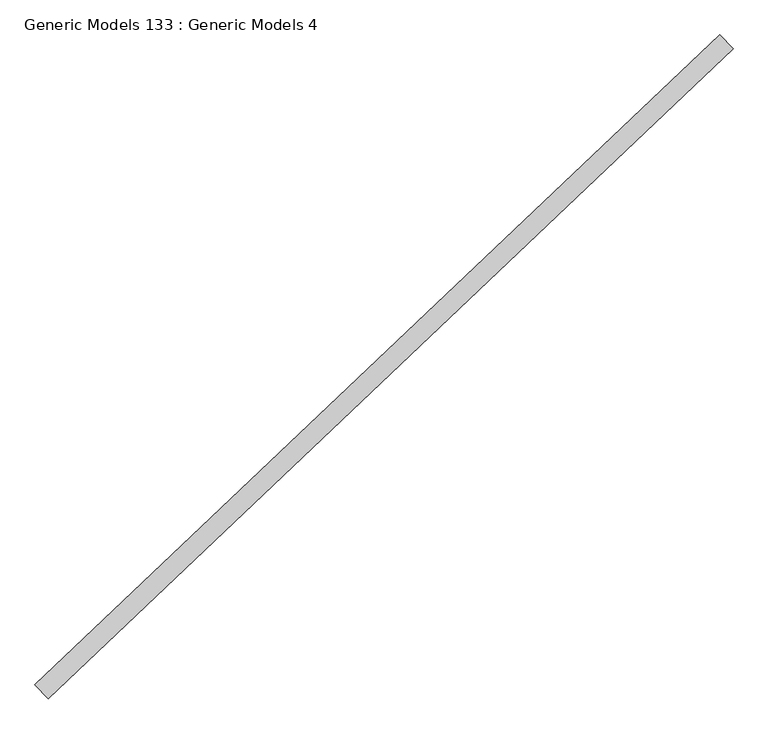
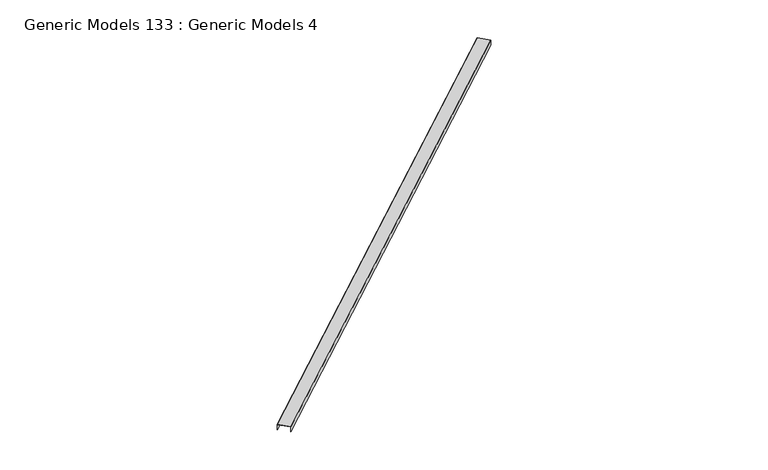
"""IFC4 building model written with IfcOpenShell, lengths in millimetres: proxy geometry, Generic Models 133 : Generic Models 4."""

from ifc_helpers import new_model, si_unit, frame, origin, place, context, project, spatial, polyline, outline, extrude, source, transform, mapped, element, save


def generic_models_133_generic_models_4_211dfcb0(model_context):
    return source(origin(), model_context, "Body", "SweptSolid", [
        extrude(outline(polyline([(0.0, 0.0), (0.0, -92.075), (-41.275, -92.075), (-41.275, -90.4875), (-1.5875, -90.4875), (-1.5875, -1.5875), (-41.275, -1.5875), (-41.275, 0.0), (0.0, 0.0)])), frame((102071.3361204, 54866.7714483, 18148.3446644), z_axis=(0.725374371012385, 0.6883545756936514, 0.0), x_axis=(0.0, 0.0, 1.0)), (0.0, 0.0, 1.0), 4530.725),
    ])


if __name__ == "__main__":
    model = new_model("IFC4")
    model_context = context("Model", 3, world=origin())
    ifc_project = project(units=[si_unit("LENGTHUNIT", "METRE", prefix="MILLI")], contexts=[model_context])
    site = spatial("IfcSite", under=ifc_project)
    building = spatial("IfcBuilding", under=site)
    placement = place(None, origin())
    generic_models_133_generic_models_4_shape = generic_models_133_generic_models_4_211dfcb0(model_context)
    element("IfcBuildingElementProxy", 1, Name="Generic Models 133 : Generic Models 4", ObjectType="Generic Models 133 : Generic Models 4", at=placement, inside=building, context=model_context, shape_type="MappedRepresentation", body=[
        mapped(generic_models_133_generic_models_4_shape, transform((0.0, 0.0, 0.0), x_axis=(1.0, 0.0, 0.0), y_axis=(0.0, 1.0, 0.0), z_axis=(0.0, 0.0, 1.0))),
    ])
    save(model, "model.ifc")
